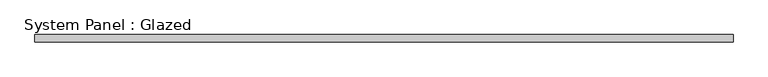
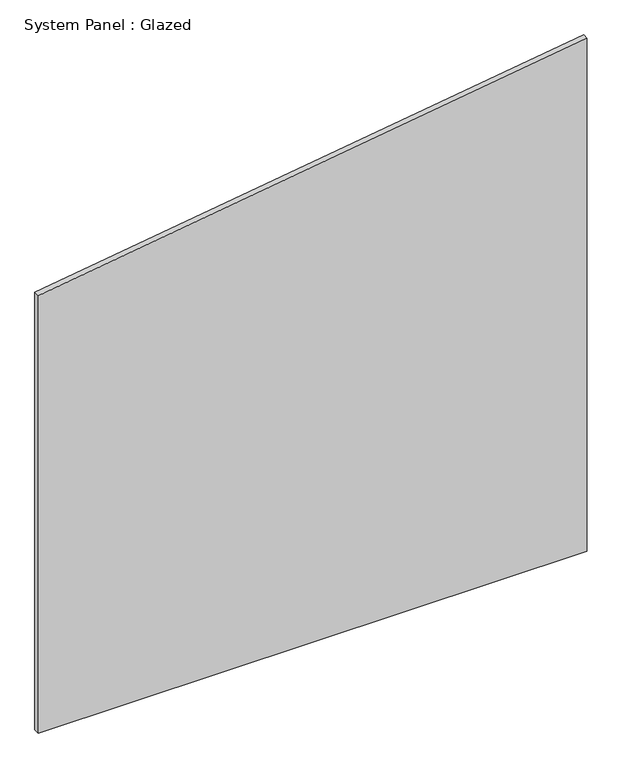
"""IFC4 building model written with IfcOpenShell, lengths in millimetres: plate geometry, System Panel : Glazed."""

from ifc_helpers import new_model, si_unit, frame, origin, place, context, project, spatial, polyline, outline, extrude, source, transform, mapped, element, save


def system_panel_glazed_32d91894(model_context):
    return source(origin(), model_context, "Body", "SweptSolid", [
        extrude(outline(polyline([(0.0, -1171.7121958), (0.0, 1171.7121958), (2314.5962802, 1171.7121958), (1973.4124709, -1171.7121958), (0.0, -1171.7121958)])), frame((0.0, -49.5, 0.0), z_axis=(0.0, 1.0, 0.0), x_axis=(0.0, 0.0, 1.0)), (0.0, 0.0, 1.0), 25.0),
    ])


if __name__ == "__main__":
    model = new_model("IFC4")
    model_context = context("Model", 3, world=origin())
    ifc_project = project(units=[si_unit("LENGTHUNIT", "METRE", prefix="MILLI")], contexts=[model_context])
    site = spatial("IfcSite", under=ifc_project)
    building = spatial("IfcBuilding", under=site)
    placement = place(None, origin())
    system_panel_glazed_shape = system_panel_glazed_32d91894(model_context)
    element("IfcPlate", 1, ObjectType="System Panel : Glazed", at=placement, inside=building, context=model_context, shape_type="MappedRepresentation", body=[
        mapped(system_panel_glazed_shape, transform((0.0, 0.0, 0.0), x_axis=(1.0, 0.0, 0.0), y_axis=(0.0, 1.0, 0.0), z_axis=(0.0, 0.0, 1.0))),
    ])
    save(model, "model.ifc")
